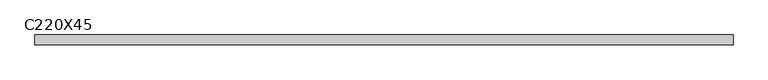
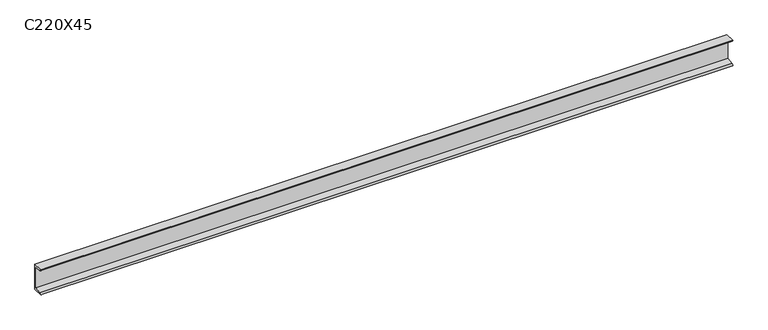
"""IFC4 building model written with IfcOpenShell, lengths in millimetres: beam geometry, C220X45."""

from ifc_helpers import new_model, si_unit, point, frame, frame_2d, origin, place, context, project, spatial, polyline, circle_curve, trimmed, segment, composite_curve, outline, extrude, source, transform, mapped, element, save


def c220x45_40d85996(model_context):
    return source(origin(), model_context, "Body", "SweptSolid", [
        extrude(outline(composite_curve([segment(polyline([(17.0, 110.0), (17.0, -110.0), (-64.0, -110.0)]), True, "CONTINUOUS"), segment(trimmed(circle_curve(frame_2d((-51.0, -110.0)), 13.0), [point((-64.0, -110.0))], [point((-51.0, -97.0))], False, "CARTESIAN"), True, "CONTINUOUS"), segment(polyline([(-51.0, -97.0), (4.0, -88.2888558), (4.0, 88.2888558), (-51.0, 97.0)]), True, "CONTINUOUS"), segment(trimmed(circle_curve(frame_2d((-51.0, 110.0)), 13.0), [point((-51.0, 97.0))], [point((-64.0, 110.0))], False, "CARTESIAN"), True, "CONTINUOUS"), segment(polyline([(-64.0, 110.0), (17.0, 110.0)]), True, "CONTINUOUS")], self_intersect=False)), frame((-2878.0, 0.0, 0.0), z_axis=(1.0, 0.0, 0.0), x_axis=(0.0, 1.0, 0.0)), (0.0, 0.0, 1.0), 5756.0),
    ])


if __name__ == "__main__":
    model = new_model("IFC4")
    model_context = context("Model", 3, world=origin())
    ifc_project = project(units=[si_unit("LENGTHUNIT", "METRE", prefix="MILLI")], contexts=[model_context])
    site = spatial("IfcSite", under=ifc_project)
    building = spatial("IfcBuilding", under=site)
    placement = place(None, origin())
    c220x45_shape = c220x45_40d85996(model_context)
    element("IfcBeam", 1, ObjectType="C220X45", at=placement, inside=building, context=model_context, shape_type="MappedRepresentation", body=[
        mapped(c220x45_shape, transform((0.0, 0.0, 0.0), x_axis=(1.0, 0.0, 0.0), y_axis=(0.0, 1.0, 0.0), z_axis=(0.0, 0.0, 1.0))),
    ])
    save(model, "model.ifc")
